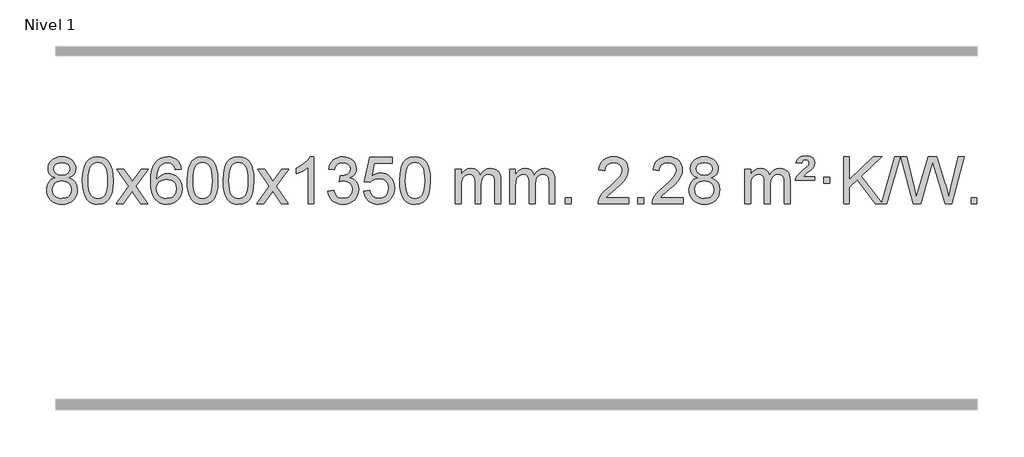
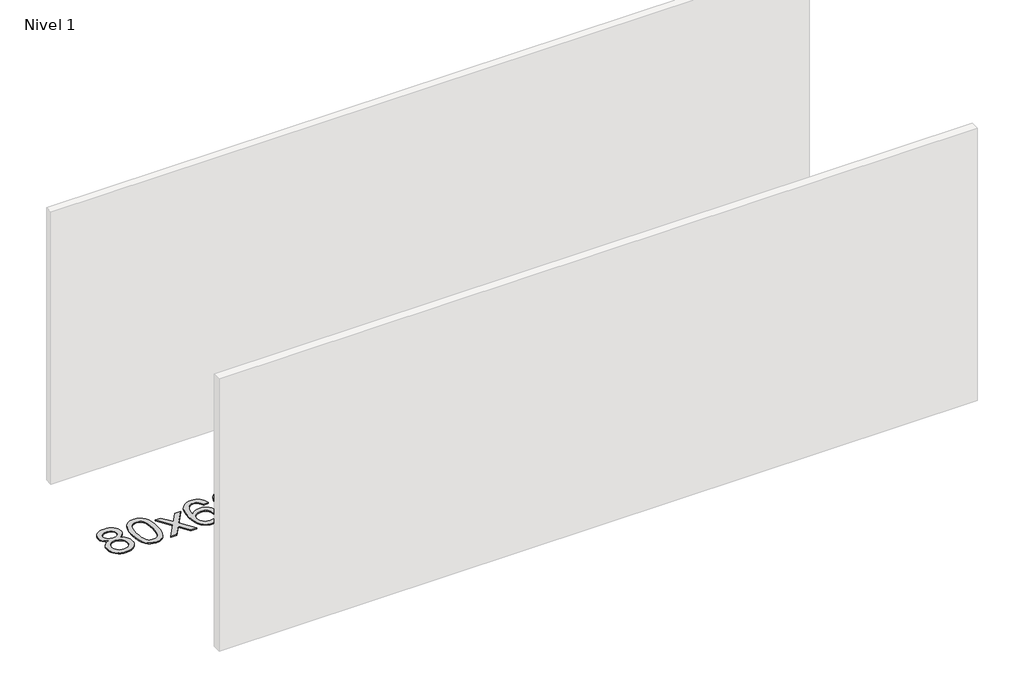
# One storey, part 9 of 16: 1 proxy.
"""IFC4 building model written with IfcOpenShell, lengths in millimetres."""

from ifc_helpers import new_model, si_unit, origin, origin_with_axes, place, context, project, spatial, polyline, outline, extrude, element, save

model = new_model("IFC4")

# Units and contexts
model_context = context("Model", 3, world=origin())
ifc_project = project(units=[si_unit("LENGTHUNIT", "METRE", prefix="MILLI")], contexts=[model_context])

# Site, building, storey
site = spatial("IfcSite", under=ifc_project)
building = spatial("IfcBuilding", under=site)
storey = spatial("IfcBuildingStorey", under=building, Name="Nivel 1", Elevation=0.0)

# Proxy
placement = place(None, origin())
element("IfcBuildingElementProxy", 1, Name="Texto de modelo 1", ObjectType="Texto de modelo 1", at=placement, inside=storey, context=model_context, shape_type="SweptSolid", body=[
    extrude(outline(polyline([(-236.8094438, -15249.2616447), (-263.7016177, -15236.0178929), (-282.573964, -15218.0652515), (-293.7207885, -15195.7716026), (-297.4363966, -15169.5048281), (-295.4130456, -15149.0199324), (-289.3429927, -15130.2395565), (-279.2262378, -15113.1637006), (-265.062781, -15097.7923645), (-247.533204, -15085.088173), (-227.3180883, -15076.0137504), (-204.4174341, -15070.5690969), (-178.8312414, -15068.7542124), (-153.1224213, -15070.6120165), (-130.0500888, -15076.1854287), (-109.614244, -15085.4744491), (-91.8148868, -15098.4790776), (-77.3939126, -15114.1508506), (-67.0932167, -15131.4413044), (-60.9127992, -15150.3504389), (-58.85266, -15170.8782543), (-62.5192172, -15196.2989001), (-73.5188889, -15218.2124043), (-91.9743023, -15236.0546811), (-118.0080848, -15249.2616447), (-87.0937345, -15265.1909351), (-64.5916191, -15288.6495436), (-50.8696207, -15318.5092989), (-46.2956212, -15353.6420295), (-48.5642269, -15378.6947933), (-55.3700438, -15401.6628926), (-66.713072, -15422.5463272), (-82.5933114, -15441.3450971), (-102.1768963, -15456.88198), (-124.6299607, -15467.9797536), (-149.9525047, -15474.6384177), (-178.1445283, -15476.8579724), (-206.3365519, -15474.6292206), (-231.6590959, -15467.9429654), (-254.1121603, -15456.7992066), (-273.6957452, -15441.1979443), (-289.5759846, -15422.26735), (-300.9190128, -15401.135595), (-307.7248297, -15377.8026795), (-309.9934354, -15352.2686033), (-305.2354949, -15315.7747094), (-290.9616735, -15285.7555386), (-267.9077351, -15263.2411605), (-236.8094438, -15249.2616447)]), holes=[polyline([(-247.2082415, -15170.9763561), (-242.7568694, -15192.902123), (-229.402753, -15210.413306), (-207.5382997, -15221.8912243), (-177.5559171, -15225.717197), (-148.2725103, -15221.9157497), (-126.7391508, -15210.5114079), (-113.495399, -15193.5888361), (-109.0808151, -15173.232699), (-113.6425518, -15152.1040098), (-127.327762, -15134.629615), (-149.1554271, -15122.8941794), (-178.1445283, -15118.9823675), (-207.3175705, -15122.8083402), (-229.1084474, -15134.2862585), (-242.683293, -15151.1107284), (-247.2082415, -15170.9763561)]), polyline([(-259.7652803, -15350.5027698), (-257.6683529, -15369.7184726), (-251.3775708, -15388.3210389), (-239.7647625, -15404.5446349), (-221.7017565, -15416.623427), (-200.0702952, -15424.1282197), (-177.7521208, -15426.6298173), (-143.5636208, -15421.3691048), (-129.6699441, -15414.7932141), (-117.909983, -15405.5869672), (-101.870328, -15381.6869002), (-96.5237763, -15352.0723996), (-102.0420062, -15321.9551269), (-118.596696, -15297.5277625), (-130.6754882, -15288.0854579), (-144.838945, -15281.3409547), (-179.4198526, -15275.9453521), (-213.130106, -15281.2673783), (-226.8674329, -15287.919911), (-238.5262264, -15297.2334569), (-254.4555168, -15321.1948375), (-259.7652803, -15350.5027698)])]), origin_with_axes(), (0.0, 0.0, 1.0), 10.0),
    extrude(outline(polyline([(-2.3459855, -15272.9041943), (1.3450971, -15208.5861588), (12.4183452, -15157.2911459), (30.763394, -15118.2343407), (42.621457, -15103.0009605), (56.269879, -15090.6309284), (71.7546453, -15081.0598651), (89.1217412, -15074.2233914), (129.5029215, -15068.7542124), (160.4540601, -15071.991574), (188.167837, -15081.7036586), (211.3444027, -15097.5103217), (228.6839074, -15119.0314184), (241.7805065, -15146.0830078), (252.2283551, -15178.4811488), (259.0709602, -15219.6226186), (261.3518286, -15272.9041943), (257.6975341, -15336.8543477), (246.7346507, -15388.0267333), (228.4999664, -15427.1203266), (216.6694946, -15442.3996922), (203.0302696, -15454.8341036), (187.5271092, -15464.4695462), (170.1048311, -15471.3520052), (129.5029215, -15476.8579724), (101.8381955, -15474.4667394), (77.3127291, -15467.2930405), (55.9265225, -15455.3368757), (37.6795755, -15438.5982449), (20.1683926, -15408.3399508), (7.6604047, -15370.6381776), (0.155612, -15325.4929255), (-2.3459855, -15272.9041943)]), holes=[polyline([(47.8821695, -15272.8060924), (49.3536975, -15316.4706195), (53.7682815, -15351.8148822), (61.1259214, -15378.8388804), (71.4266172, -15397.5426142), (83.8855541, -15410.2682656), (97.7179171, -15419.3580165), (112.9237063, -15424.8118671), (129.5029215, -15426.6298173), (146.0821368, -15424.8057357), (161.2879259, -15419.3334911), (175.1202889, -15410.2130833), (187.5792258, -15397.4445124), (197.8799217, -15378.7101217), (205.2375616, -15351.6922549), (209.6521455, -15316.3909118), (211.1236735, -15272.8060924), (209.7011965, -15230.2973278), (205.4337653, -15195.5753989), (198.3213801, -15168.6403055), (188.3640408, -15149.4920476), (176.1135703, -15136.1440625), (162.1217918, -15126.6097875), (146.3887051, -15120.8892225), (128.9143103, -15118.9823675), (112.4209342, -15120.6623619), (97.4726625, -15125.7023452), (84.0694951, -15134.1023175), (72.2114321, -15145.8622786), (61.5673797, -15166.708925), (53.9644852, -15194.8151094), (49.4027484, -15230.1808319), (47.8821695, -15272.8060924)])]), origin_with_axes(), (0.0, 0.0, 1.0), 10.0),
    extrude(outline(polyline([(286.4659061, -15470.579453), (393.7893469, -15322.2494325), (292.7444255, -15175.4890419), (353.1751746, -15175.4890419), (401.9318017, -15246.122385), (424.6914345, -15279.4770192), (444.4099094, -15252.2047007), (499.9355652, -15175.4890419), (560.3663143, -15175.4890419), (454.2200959, -15322.2494325), (556.4422397, -15470.579453), (496.0114906, -15470.579453), (434.501621, -15381.4048574), (423.2199065, -15365.1199477), (346.8966552, -15470.579453), (286.4659061, -15470.579453)])), origin_with_axes(), (0.0, 0.0, 1.0), 10.0),
    extrude(outline(polyline([(845.2541313, -15175.4890419), (795.0259763, -15181.7675613), (786.9325724, -15156.874213), (775.9942144, -15139.8780648), (753.2100561, -15124.2062918), (725.6679574, -15118.9823675), (702.3197135, -15122.0235253), (680.3448956, -15131.1469988), (661.4725493, -15150.3627017), (646.0582937, -15176.8134171), (635.6472332, -15214.227016), (631.7844723, -15266.3313693), (651.9321429, -15242.8237098), (676.0774645, -15226.2567573), (702.8715365, -15216.434308), (730.9654582, -15213.1601582), (755.0985171, -15215.398107), (777.3676405, -15222.1119534), (797.7728285, -15233.3016975), (816.3140811, -15248.9673391), (831.7222053, -15268.1769106), (842.7280083, -15289.9984443), (849.3314901, -15314.4319401), (851.5326507, -15341.4773982), (847.3878469, -15377.4439945), (834.9534355, -15410.786366), (815.259486, -15439.0642287), (789.3360681, -15459.8372987), (758.3604041, -15472.602804), (723.5097164, -15476.8579724), (693.5671877, -15474.0375437), (666.5247954, -15465.5762579), (642.3825394, -15451.4741147), (621.1404199, -15431.7311143), (603.822375, -15405.5133908), (591.4523429, -15371.9870783), (584.0303236, -15331.1521768), (581.5563172, -15283.0086864), (584.3031694, -15229.0342663), (592.5437261, -15182.9693092), (606.2779873, -15144.8138149), (625.5059529, -15114.5677835), (646.3464679, -15094.5243462), (670.5101836, -15080.2076052), (697.9971, -15071.6175606), (728.8072171, -15068.7542124), (751.9408633, -15070.5261773), (772.8794802, -15075.8420722), (791.6230678, -15084.7018969), (808.1716262, -15097.1056515), (822.0775656, -15112.6364031), (832.8932963, -15130.8772186), (840.6188182, -15151.8280983), (845.2541313, -15175.4890419)]), holes=[polyline([(631.7844723, -15340.6925832), (634.69074, -15362.9494439), (643.4095433, -15384.2007605), (656.9476007, -15402.472233), (674.3116309, -15415.7895612), (695.2686419, -15423.9197533), (719.5856418, -15426.6298173), (752.7318096, -15421.0134855), (766.646946, -15413.9930708), (778.7901175, -15404.1644901), (788.640158, -15391.9262824), (795.6759011, -15377.6769865), (801.3044957, -15343.1451299), (795.7494775, -15309.9989621), (788.8057049, -15296.3781312), (779.0844231, -15284.725469), (766.9044634, -15275.3904634), (752.5846568, -15268.7226022), (717.5255026, -15263.3883133), (684.4283858, -15268.7226022), (656.751397, -15284.725469), (645.8283674, -15296.2248471), (638.0262035, -15309.3858254), (633.3449051, -15324.2084042), (631.7844723, -15340.6925832)])]), origin_with_axes(), (0.0, 0.0, 1.0), 10.0),
    extrude(outline(polyline([(895.4822864, -15272.9041943), (899.1733691, -15208.5861588), (910.2466172, -15157.2911459), (928.591666, -15118.2343407), (940.449729, -15103.0009605), (954.098151, -15090.6309284), (969.5829173, -15081.0598651), (986.9500131, -15074.2233914), (1027.3311935, -15068.7542124), (1058.282332, -15071.991574), (1085.996109, -15081.7036586), (1109.1726747, -15097.5103217), (1126.5121794, -15119.0314184), (1139.6087784, -15146.0830078), (1150.0566271, -15178.4811488), (1156.8992322, -15219.6226186), (1159.1801006, -15272.9041943), (1155.5258061, -15336.8543477), (1144.5629226, -15388.0267333), (1126.3282384, -15427.1203266), (1114.4977666, -15442.3996922), (1100.8585416, -15454.8341036), (1085.3553812, -15464.4695462), (1067.933103, -15471.3520052), (1027.3311935, -15476.8579724), (999.6664674, -15474.4667394), (975.1410011, -15467.2930405), (953.7547945, -15455.3368757), (935.5078475, -15438.5982449), (917.9966645, -15408.3399508), (905.4886767, -15370.6381776), (897.983884, -15325.4929255), (895.4822864, -15272.9041943)]), holes=[polyline([(945.7104415, -15272.8060924), (947.1819695, -15316.4706195), (951.5965534, -15351.8148822), (958.9541933, -15378.8388804), (969.2548892, -15397.5426142), (981.7138261, -15410.2682656), (995.5461891, -15419.3580165), (1010.7519782, -15424.8118671), (1027.3311935, -15426.6298173), (1043.9104087, -15424.8057357), (1059.1161979, -15419.3334911), (1072.9485609, -15410.2130833), (1085.4074978, -15397.4445124), (1095.7081937, -15378.7101217), (1103.0658336, -15351.6922549), (1107.4804175, -15316.3909118), (1108.9519455, -15272.8060924), (1107.5294684, -15230.2973278), (1103.2620373, -15195.5753989), (1096.1496521, -15168.6403055), (1086.1923127, -15149.4920476), (1073.9418423, -15136.1440625), (1059.9500637, -15126.6097875), (1044.2169771, -15120.8892225), (1026.7425823, -15118.9823675), (1010.2492062, -15120.6623619), (995.3009344, -15125.7023452), (981.8977671, -15134.1023175), (970.0397041, -15145.8622786), (959.3956517, -15166.708925), (951.7927571, -15194.8151094), (947.2310204, -15230.1808319), (945.7104415, -15272.8060924)])]), origin_with_axes(), (0.0, 0.0, 1.0), 10.0),
    extrude(outline(polyline([(1203.1297362, -15272.9041943), (1206.8208189, -15208.5861588), (1217.894067, -15157.2911459), (1236.2391158, -15118.2343407), (1248.0971788, -15103.0009605), (1261.7456008, -15090.6309284), (1277.2303671, -15081.0598651), (1294.597463, -15074.2233914), (1334.9786433, -15068.7542124), (1365.9297818, -15071.991574), (1393.6435588, -15081.7036586), (1416.8201245, -15097.5103217), (1434.1596292, -15119.0314184), (1447.2562282, -15146.0830078), (1457.7040769, -15178.4811488), (1464.546682, -15219.6226186), (1466.8275504, -15272.9041943), (1463.1732559, -15336.8543477), (1452.2103725, -15388.0267333), (1433.9756882, -15427.1203266), (1422.1452164, -15442.3996922), (1408.5059914, -15454.8341036), (1393.002831, -15464.4695462), (1375.5805529, -15471.3520052), (1334.9786433, -15476.8579724), (1307.3139173, -15474.4667394), (1282.7884509, -15467.2930405), (1261.4022443, -15455.3368757), (1243.1552973, -15438.5982449), (1225.6441144, -15408.3399508), (1213.1361265, -15370.6381776), (1205.6313338, -15325.4929255), (1203.1297362, -15272.9041943)]), holes=[polyline([(1253.3578913, -15272.8060924), (1254.8294193, -15316.4706195), (1259.2440032, -15351.8148822), (1266.6016432, -15378.8388804), (1276.902339, -15397.5426142), (1289.3612759, -15410.2682656), (1303.1936389, -15419.3580165), (1318.3994281, -15424.8118671), (1334.9786433, -15426.6298173), (1351.5578586, -15424.8057357), (1366.7636477, -15419.3334911), (1380.5960107, -15410.2130833), (1393.0549476, -15397.4445124), (1403.3556435, -15378.7101217), (1410.7132834, -15351.6922549), (1415.1278673, -15316.3909118), (1416.5993953, -15272.8060924), (1415.1769183, -15230.2973278), (1410.9094871, -15195.5753989), (1403.7971019, -15168.6403055), (1393.8397625, -15149.4920476), (1381.5892921, -15136.1440625), (1367.5975136, -15126.6097875), (1351.8644269, -15120.8892225), (1334.3900321, -15118.9823675), (1317.896656, -15120.6623619), (1302.9483843, -15125.7023452), (1289.5452169, -15134.1023175), (1277.6871539, -15145.8622786), (1267.0431015, -15166.708925), (1259.440207, -15194.8151094), (1254.8784702, -15230.1808319), (1253.3578913, -15272.8060924)])]), origin_with_axes(), (0.0, 0.0, 1.0), 10.0),
    extrude(outline(polyline([(1491.9416279, -15470.579453), (1599.2650687, -15322.2494325), (1498.2201473, -15175.4890419), (1558.6508964, -15175.4890419), (1607.4075235, -15246.122385), (1630.1671563, -15279.4770192), (1649.8856312, -15252.2047007), (1705.411287, -15175.4890419), (1765.8420361, -15175.4890419), (1659.6958177, -15322.2494325), (1761.9179615, -15470.579453), (1701.4872124, -15470.579453), (1639.9773428, -15381.4048574), (1628.6956283, -15365.1199477), (1552.372377, -15470.579453), (1491.9416279, -15470.579453)])), origin_with_axes(), (0.0, 0.0, 1.0), 10.0),
    extrude(outline(polyline([(1981.6661399, -15470.579453), (1931.4379848, -15470.579453), (1931.4379848, -15157.4382987), (1910.4687111, -15174.3976587), (1883.8585801, -15191.3324932), (1830.9816747, -15216.6918254), (1830.9816747, -15169.2105225), (1870.4308873, -15147.7507395), (1904.6071247, -15122.219729), (1931.5483494, -15095.0700378), (1949.2925243, -15068.7542124), (1981.6661399, -15068.7542124), (1981.6661399, -15470.579453)])), origin_with_axes(), (0.0, 0.0, 1.0), 10.0),
    extrude(outline(polyline([(2100.9580082, -15363.8446235), (2151.1861633, -15357.5661041), (2162.4310896, -15389.1303793), (2178.8999403, -15410.4430095), (2201.4020556, -15422.5831154), (2230.7467761, -15426.6298173), (2265.1805309, -15421.0625364), (2279.4543523, -15414.1034354), (2291.7661364, -15404.3606939), (2308.7622846, -15379.4428201), (2314.4276673, -15349.2274455), (2308.8113355, -15320.5449126), (2291.9623401, -15297.2825078), (2266.4558551, -15281.8682522), (2234.8670545, -15276.730167), (2199.6484848, -15282.2238715), (2205.2402911, -15231.9957164), (2213.2846441, -15232.5843276), (2243.3773913, -15228.979084), (2270.2818279, -15218.1633534), (2281.3550759, -15209.9841103), (2289.2645388, -15199.8673555), (2294.0102165, -15187.8130888), (2295.5921091, -15173.8213102), (2291.0058469, -15152.1285352), (2277.2470603, -15134.5315131), (2256.2532611, -15122.8696539), (2229.9619612, -15118.9823675), (2203.6216103, -15122.9064421), (2182.0882509, -15134.6786659), (2166.367427, -15154.299039), (2157.4646827, -15181.7675613), (2107.2365276, -15175.4890419), (2113.1900846, -15151.5092672), (2122.0253838, -15130.3867093), (2133.7424253, -15112.1213683), (2148.3412092, -15096.713244), (2165.3618828, -15084.4811677), (2184.3445938, -15075.7439703), (2205.289342, -15070.5016519), (2228.1961276, -15068.7542124), (2259.7726655, -15072.2000404), (2288.7740295, -15082.5375245), (2313.2259194, -15098.8469596), (2331.1540353, -15120.2086408), (2342.153707, -15144.8199463), (2345.8202642, -15170.8782543), (2342.337648, -15195.1584659), (2331.8897993, -15217.1823347), (2314.623871, -15235.9443165), (2290.6870159, -15250.4388671), (2322.1286637, -15263.1430586), (2345.4278567, -15284.77452), (2359.848831, -15314.1560286), (2364.6558224, -15350.1103623), (2362.2523267, -15375.5923218), (2355.0418395, -15399.0631931), (2343.024361, -15420.5229762), (2326.1998911, -15439.971671), (2305.7027326, -15456.1094278), (2282.6671884, -15467.636397), (2257.0932583, -15474.5525785), (2228.9809425, -15476.8579724), (2203.5725594, -15474.8898037), (2180.4205192, -15468.9852977), (2159.5248218, -15459.1444543), (2140.8854674, -15445.3672736), (2125.256614, -15428.4630959), (2113.3924196, -15409.2412617), (2105.2928844, -15387.7017708), (2100.9580082, -15363.8446235)])), origin_with_axes(), (0.0, 0.0, 1.0), 10.0),
    extrude(outline(polyline([(2408.605458, -15363.8446235), (2458.8336131, -15357.5661041), (2468.0551885, -15387.7201649), (2484.1438944, -15409.3148381), (2507.0261545, -15422.3010725), (2536.6283924, -15426.6298173), (2555.7582561, -15425.1245668), (2572.631777, -15420.6088153), (2587.2489549, -15413.0825628), (2599.6097899, -15402.5458094), (2609.4383706, -15389.519721), (2616.4587853, -15374.5254641), (2622.0751171, -15338.6324441), (2616.8144046, -15304.8363514), (2610.2385139, -15290.9181493), (2601.032267, -15278.9865099), (2589.165007, -15269.4154467), (2574.606077, -15262.5789729), (2537.4132073, -15257.1097939), (2513.0471565, -15259.2925604), (2493.3164188, -15265.8408599), (2477.5588067, -15275.8717757), (2465.1121325, -15288.5023908), (2414.8839774, -15282.2238715), (2458.8336131, -15075.0327318), (2653.467714, -15075.0327318), (2653.467714, -15125.2608869), (2499.4477854, -15125.2608869), (2477.9634769, -15235.919791), (2495.6892577, -15223.2155994), (2513.8442341, -15214.1411769), (2532.4284063, -15208.6965234), (2551.441774, -15206.8816388), (2575.902861, -15209.1318504), (2598.3712539, -15215.882485), (2618.8469526, -15227.1335427), (2637.3299572, -15242.8850234), (2652.6307825, -15262.1743027), (2663.5599434, -15284.038756), (2670.11744, -15308.4783832), (2672.3032722, -15335.4931844), (2670.3351035, -15361.5147042), (2664.4305975, -15385.7213394), (2654.5897541, -15408.1130902), (2640.8125734, -15428.6899565), (2619.9414015, -15449.7634634), (2595.5876135, -15464.8159684), (2567.7512092, -15473.8474714), (2536.4321886, -15476.8579724), (2510.5118364, -15474.9235262), (2487.0992131, -15469.1201877), (2466.1943187, -15459.447957), (2447.7971533, -15445.9068338), (2432.4901966, -15429.1712688), (2420.8559285, -15409.915712), (2412.894349, -15388.1401636), (2408.605458, -15363.8446235)])), origin_with_axes(), (0.0, 0.0, 1.0), 10.0),
    extrude(outline(polyline([(2716.2529079, -15272.9041943), (2719.9439906, -15208.5861588), (2731.0172386, -15157.2911459), (2749.3622874, -15118.2343407), (2761.2203504, -15103.0009605), (2774.8687724, -15090.6309284), (2790.3535388, -15081.0598651), (2807.7206346, -15074.2233914), (2848.1018149, -15068.7542124), (2879.0529535, -15071.991574), (2906.7667304, -15081.7036586), (2929.9432961, -15097.5103217), (2947.2828008, -15119.0314184), (2960.3793999, -15146.0830078), (2970.8272485, -15178.4811488), (2977.6698537, -15219.6226186), (2979.950722, -15272.9041943), (2976.2964275, -15336.8543477), (2965.3335441, -15388.0267333), (2947.0988599, -15427.1203266), (2935.268388, -15442.3996922), (2921.6291631, -15454.8341036), (2906.1260026, -15464.4695462), (2888.7037245, -15471.3520052), (2848.1018149, -15476.8579724), (2820.4370889, -15474.4667394), (2795.9116226, -15467.2930405), (2774.5254159, -15455.3368757), (2756.278469, -15438.5982449), (2738.767286, -15408.3399508), (2726.2592981, -15370.6381776), (2718.7545054, -15325.4929255), (2716.2529079, -15272.9041943)]), holes=[polyline([(2766.481063, -15272.8060924), (2767.9525909, -15316.4706195), (2772.3671749, -15351.8148822), (2779.7248148, -15378.8388804), (2790.0255106, -15397.5426142), (2802.4844475, -15410.2682656), (2816.3168106, -15419.3580165), (2831.5225997, -15424.8118671), (2848.1018149, -15426.6298173), (2864.6810302, -15424.8057357), (2879.8868193, -15419.3334911), (2893.7191824, -15410.2130833), (2906.1781193, -15397.4445124), (2916.4788151, -15378.7101217), (2923.836455, -15351.6922549), (2928.251039, -15316.3909118), (2929.7225669, -15272.8060924), (2928.3000899, -15230.2973278), (2924.0326588, -15195.5753989), (2916.9202735, -15168.6403055), (2906.9629342, -15149.4920476), (2894.7124637, -15136.1440625), (2880.7206852, -15126.6097875), (2864.9875985, -15120.8892225), (2847.5132038, -15118.9823675), (2831.0198276, -15120.6623619), (2816.0715559, -15125.7023452), (2802.6683885, -15134.1023175), (2790.8103256, -15145.8622786), (2780.1662732, -15166.708925), (2772.5633786, -15194.8151094), (2768.0016419, -15230.1808319), (2766.481063, -15272.8060924)])]), origin_with_axes(), (0.0, 0.0, 1.0), 10.0),
    extrude(outline(polyline([(3193.4203811, -15470.579453), (3193.4203811, -15175.4890419), (3243.6485362, -15175.4890419), (3243.6485362, -15224.0494653), (3258.7562234, -15201.7435537), (3278.1803928, -15184.2691589), (3301.2588566, -15172.9751816), (3327.3294273, -15169.2105225), (3355.2639335, -15173.048758), (3377.6556843, -15184.5634645), (3394.3820523, -15202.9943524), (3405.3204103, -15227.5811324), (3423.6286709, -15202.0439906), (3444.5121055, -15183.803175), (3467.9707141, -15172.8586857), (3494.0044966, -15169.2105225), (3514.1123133, -15170.7280358), (3531.7614521, -15175.2805755), (3546.9519128, -15182.8681416), (3559.6836955, -15193.4907342), (3569.7483337, -15207.2709806), (3576.9373611, -15224.3315082), (3581.2507775, -15244.6723168), (3582.6885829, -15268.2934066), (3582.6885829, -15470.579453), (3532.4604278, -15470.579453), (3532.4604278, -15289.875817), (3531.2954682, -15264.8230531), (3527.8005892, -15247.9372695), (3521.2522897, -15236.3735121), (3510.9270684, -15227.2868268), (3497.6465284, -15221.4007149), (3482.2322728, -15219.4386776), (3455.0212679, -15224.4663982), (3432.8379835, -15239.54956), (3424.2326105, -15251.1194488), (3418.0859155, -15265.7182326), (3413.1685595, -15304.0024856), (3413.1685595, -15470.579453), (3362.9404045, -15470.579453), (3362.9404045, -15284.2840106), (3360.0341367, -15255.8835206), (3351.3153334, -15235.6254854), (3335.9746542, -15223.4853796), (3313.2027587, -15219.4386776), (3293.8521658, -15222.1364789), (3276.0221517, -15230.2298828), (3261.3068719, -15243.5226856), (3251.3004817, -15261.8186835), (3245.5615225, -15287.2025411), (3243.6485362, -15321.7589232), (3243.6485362, -15470.579453), (3193.4203811, -15470.579453)])), origin_with_axes(), (0.0, 0.0, 1.0), 10.0),
    extrude(outline(polyline([(3658.0308155, -15470.579453), (3658.0308155, -15175.4890419), (3708.2589706, -15175.4890419), (3708.2589706, -15224.0494653), (3723.3666579, -15201.7435537), (3742.7908272, -15184.2691589), (3765.869291, -15172.9751816), (3791.9398618, -15169.2105225), (3819.8743679, -15173.048758), (3842.2661187, -15184.5634645), (3858.9924868, -15202.9943524), (3869.9308448, -15227.5811324), (3888.2391054, -15202.0439906), (3909.12254, -15183.803175), (3932.5811485, -15172.8586857), (3958.6149311, -15169.2105225), (3978.7227478, -15170.7280358), (3996.3718865, -15175.2805755), (4011.5623472, -15182.8681416), (4024.2941299, -15193.4907342), (4034.3587682, -15207.2709806), (4041.5477955, -15224.3315082), (4045.8612119, -15244.6723168), (4047.2990174, -15268.2934066), (4047.2990174, -15470.579453), (3997.0708623, -15470.579453), (3997.0708623, -15289.875817), (3995.9059026, -15264.8230531), (3992.4110237, -15247.9372695), (3985.8627242, -15236.3735121), (3975.5375028, -15227.2868268), (3962.2569628, -15221.4007149), (3946.8427072, -15219.4386776), (3919.6317023, -15224.4663982), (3897.448418, -15239.54956), (3888.843045, -15251.1194488), (3882.69635, -15265.7182326), (3877.778994, -15304.0024856), (3877.778994, -15470.579453), (3827.5508389, -15470.579453), (3827.5508389, -15284.2840106), (3824.6445711, -15255.8835206), (3815.9257679, -15235.6254854), (3800.5850887, -15223.4853796), (3777.8131932, -15219.4386776), (3758.4626002, -15222.1364789), (3740.6325862, -15230.2298828), (3725.9173064, -15243.5226856), (3715.9109161, -15261.8186835), (3710.171957, -15287.2025411), (3708.2589706, -15321.7589232), (3708.2589706, -15470.579453), (3658.0308155, -15470.579453)])), origin_with_axes(), (0.0, 0.0, 1.0), 10.0),
    extrude(outline(polyline([(4135.1982887, -15470.579453), (4135.1982887, -15420.3512979), (4185.4264438, -15420.3512979), (4185.4264438, -15470.579453), (4135.1982887, -15470.579453)])), origin_with_axes(), (0.0, 0.0, 1.0), 10.0),
    extrude(outline(polyline([(4681.4294752, -15420.3512979), (4681.4294752, -15470.579453), (4417.731661, -15470.579453), (4418.835307, -15452.8965918), (4423.1272636, -15435.9494945), (4435.5126241, -15408.8856424), (4453.6369438, -15382.6311307), (4479.8546673, -15355.1503456), (4516.5202395, -15324.4076736), (4570.7215201, -15276.2641831), (4603.2422885, -15240.7267824), (4619.5026727, -15211.884834), (4624.9228007, -15183.8277005), (4619.809241, -15158.6768347), (4604.4685618, -15137.7688747), (4580.8873259, -15123.6789943), (4551.0520961, -15118.9823675), (4519.7208128, -15123.5686297), (4495.3792875, -15137.3274163), (4479.6707263, -15159.1796068), (4474.2383355, -15188.0460807), (4424.0101804, -15181.7675613), (4428.3297282, -15155.838012), (4436.1870745, -15133.1826125), (4447.5822193, -15113.8013627), (4462.5151626, -15097.6942627), (4480.6425479, -15085.0329907), (4501.6210187, -15075.989225), (4525.4505749, -15070.5629655), (4552.1312166, -15068.7542124), (4579.0509816, -15070.7653006), (4603.0092965, -15076.7985654), (4624.0061614, -15086.8540066), (4642.0415762, -15100.9316242), (4656.5269298, -15117.9890861), (4666.8736109, -15136.9840598), (4673.0816196, -15157.9165453), (4675.1509558, -15180.7865427), (4672.9191384, -15204.8092369), (4666.223686, -15228.4149983), (4654.3410976, -15252.4254299), (4636.5478718, -15277.6621347), (4608.1841699, -15307.7916701), (4564.5901535, -15346.4805933), (4506.8081548, -15394.795762), (4484.1466239, -15420.3512979), (4681.4294752, -15420.3512979)])), origin_with_axes(), (0.0, 0.0, 1.0), 10.0),
    extrude(outline(polyline([(4756.7717078, -15470.579453), (4756.7717078, -15420.3512979), (4806.9998629, -15420.3512979), (4806.9998629, -15470.579453), (4756.7717078, -15470.579453)])), origin_with_axes(), (0.0, 0.0, 1.0), 10.0),
    extrude(outline(polyline([(5146.0399096, -15420.3512979), (5146.0399096, -15470.579453), (4882.3420955, -15470.579453), (4883.4457415, -15452.8965918), (4887.7376981, -15435.9494945), (4900.1230586, -15408.8856424), (4918.2473782, -15382.6311307), (4944.4651017, -15355.1503456), (4981.1306739, -15324.4076736), (5035.3319545, -15276.2641831), (5067.8527229, -15240.7267824), (5084.1131071, -15211.884834), (5089.5332352, -15183.8277005), (5084.4196754, -15158.6768347), (5069.0789962, -15137.7688747), (5045.4977603, -15123.6789943), (5015.6625305, -15118.9823675), (4984.3312473, -15123.5686297), (4959.9897219, -15137.3274163), (4944.2811607, -15159.1796068), (4938.8487699, -15188.0460807), (4888.6206149, -15181.7675613), (4892.9401626, -15155.838012), (4900.7975089, -15133.1826125), (4912.1926537, -15113.8013627), (4927.125597, -15097.6942627), (4945.2529823, -15085.0329907), (4966.2314531, -15075.989225), (4990.0610093, -15070.5629655), (5016.741651, -15068.7542124), (5043.661416, -15070.7653006), (5067.619731, -15076.7985654), (5088.6165959, -15086.8540066), (5106.6520107, -15100.9316242), (5121.1373642, -15117.9890861), (5131.4840453, -15136.9840598), (5137.692054, -15157.9165453), (5139.7613902, -15180.7865427), (5137.5295728, -15204.8092369), (5130.8341205, -15228.4149983), (5118.951532, -15252.4254299), (5101.1583062, -15277.6621347), (5072.7946044, -15307.7916701), (5029.200588, -15346.4805933), (4971.4185892, -15394.795762), (4948.7570583, -15420.3512979), (5146.0399096, -15420.3512979)])), origin_with_axes(), (0.0, 0.0, 1.0), 10.0),
    extrude(outline(polyline([(5269.4520563, -15249.2616447), (5242.5598824, -15236.0178929), (5223.6875361, -15218.0652515), (5212.5407116, -15195.7716026), (5208.8251035, -15169.5048281), (5210.8484544, -15149.0199324), (5216.9185074, -15130.2395565), (5227.0352622, -15113.1637006), (5241.198719, -15097.7923645), (5258.7282961, -15085.088173), (5278.9434117, -15076.0137504), (5301.8440659, -15070.5690969), (5327.4302587, -15068.7542124), (5353.1390788, -15070.6120165), (5376.2114113, -15076.1854287), (5396.6472561, -15085.4744491), (5414.4466133, -15098.4790776), (5428.8675875, -15114.1508506), (5439.1682834, -15131.4413044), (5445.3487009, -15150.3504389), (5447.4088401, -15170.8782543), (5443.7422829, -15196.2989001), (5432.7426112, -15218.2124043), (5414.2871978, -15236.0546811), (5388.2534152, -15249.2616447), (5419.1677656, -15265.1909351), (5441.6698809, -15288.6495436), (5455.3918794, -15318.5092989), (5459.9658788, -15353.6420295), (5457.6972732, -15378.6947933), (5450.8914563, -15401.6628926), (5439.5484281, -15422.5463272), (5423.6681886, -15441.3450971), (5404.0846038, -15456.88198), (5381.6315393, -15467.9797536), (5356.3089953, -15474.6384177), (5328.1169718, -15476.8579724), (5299.9249482, -15474.6292206), (5274.6024042, -15467.9429654), (5252.1493398, -15456.7992066), (5232.5657549, -15441.1979443), (5216.6855154, -15422.26735), (5205.3424872, -15401.135595), (5198.5366703, -15377.8026795), (5196.2680647, -15352.2686033), (5201.0260052, -15315.7747094), (5215.2998266, -15285.7555386), (5238.3537649, -15263.2411605), (5269.4520563, -15249.2616447)]), holes=[polyline([(5259.0532585, -15170.9763561), (5263.5046307, -15192.902123), (5276.8587471, -15210.413306), (5298.7232004, -15221.8912243), (5328.705583, -15225.717197), (5357.9889898, -15221.9157497), (5379.5223492, -15210.5114079), (5392.7661011, -15193.5888361), (5397.180685, -15173.232699), (5392.6189483, -15152.1040098), (5378.933738, -15134.629615), (5357.106073, -15122.8941794), (5328.1169718, -15118.9823675), (5298.9439295, -15122.8083402), (5277.1530527, -15134.2862585), (5263.5782071, -15151.1107284), (5259.0532585, -15170.9763561)]), polyline([(5246.4962198, -15350.5027698), (5248.5931471, -15369.7184726), (5254.8839293, -15388.3210389), (5266.4967376, -15404.5446349), (5284.5597435, -15416.623427), (5306.1912049, -15424.1282197), (5328.5093792, -15426.6298173), (5362.6978793, -15421.3691048), (5376.591556, -15414.7932141), (5388.3515171, -15405.5869672), (5404.3911721, -15381.6869002), (5409.7377238, -15352.0723996), (5404.2194938, -15321.9551269), (5387.6648041, -15297.5277625), (5375.5860119, -15288.0854579), (5361.4225551, -15281.3409547), (5326.8416475, -15275.9453521), (5293.131394, -15281.2673783), (5279.3940672, -15287.919911), (5267.7352736, -15297.2334569), (5251.8059832, -15321.1948375), (5246.4962198, -15350.5027698)])]), origin_with_axes(), (0.0, 0.0, 1.0), 10.0),
    extrude(outline(polyline([(5673.4355379, -15470.579453), (5673.4355379, -15175.4890419), (5723.663693, -15175.4890419), (5723.663693, -15224.0494653), (5738.7713803, -15201.7435537), (5758.1955496, -15184.2691589), (5781.2740134, -15172.9751816), (5807.3445842, -15169.2105225), (5835.2790903, -15173.048758), (5857.6708411, -15184.5634645), (5874.3972091, -15202.9943524), (5885.3355671, -15227.5811324), (5903.6438278, -15202.0439906), (5924.5272623, -15183.803175), (5947.9858709, -15172.8586857), (5974.0196534, -15169.2105225), (5994.1274702, -15170.7280358), (6011.7766089, -15175.2805755), (6026.9670696, -15182.8681416), (6039.6988523, -15193.4907342), (6049.7634906, -15207.2709806), (6056.9525179, -15224.3315082), (6061.2659343, -15244.6723168), (6062.7037397, -15268.2934066), (6062.7037397, -15470.579453), (6012.4755847, -15470.579453), (6012.4755847, -15289.875817), (6011.310625, -15264.8230531), (6007.8157461, -15247.9372695), (6001.2674465, -15236.3735121), (5990.9422252, -15227.2868268), (5977.6616852, -15221.4007149), (5962.2474296, -15219.4386776), (5935.0364247, -15224.4663982), (5912.8531404, -15239.54956), (5904.2477674, -15251.1194488), (5898.1010724, -15265.7182326), (5893.1837164, -15304.0024856), (5893.1837164, -15470.579453), (5842.9555613, -15470.579453), (5842.9555613, -15284.2840106), (5840.0492935, -15255.8835206), (5831.3304902, -15235.6254854), (5815.989811, -15223.4853796), (5793.2179155, -15219.4386776), (5773.8673226, -15222.1364789), (5756.0373086, -15230.2298828), (5741.3220287, -15243.5226856), (5731.3156385, -15261.8186835), (5725.5766794, -15287.2025411), (5723.663693, -15321.7589232), (5723.663693, -15470.579453), (5673.4355379, -15470.579453)])), origin_with_axes(), (0.0, 0.0, 1.0), 10.0),
    extrude(outline(polyline([(6106.6533754, -15269.6668327), (6110.4793482, -15253.8479069), (6118.8180067, -15237.9799302), (6140.3268407, -15212.8413272), (6172.2835234, -15185.1030247), (6216.4293628, -15147.726214), (6223.5662735, -15136.1992448), (6225.9452437, -15124.3779701), (6224.0567828, -15112.2869152), (6218.3914001, -15102.5012541), (6209.022672, -15096.026531), (6196.0241748, -15093.8682899), (6183.5897634, -15095.4869707), (6174.73607, -15100.343013), (6168.3103978, -15109.8098431), (6163.1600499, -15125.2608869), (6112.9318948, -15118.9823675), (6123.7721509, -15093.7701881), (6140.4004171, -15076.2099542), (6164.165594, -15065.9092583), (6196.4165822, -15062.475693), (6232.1992376, -15066.6082341), (6256.9454332, -15079.0058573), (6271.3664074, -15097.3386434), (6276.1733988, -15119.2766731), (6272.0776459, -15142.1834586), (6259.7903873, -15163.8149199), (6239.262572, -15183.6314968), (6202.7932035, -15211.6886303), (6177.1886166, -15238.2742358), (6276.1733988, -15238.2742358), (6276.1733988, -15269.6668327), (6106.6533754, -15269.6668327)])), origin_with_axes(), (0.0, 0.0, 1.0), 10.0),
    extrude(outline(polyline([(6351.5156314, -15294.7809102), (6351.5156314, -15244.5527552), (6401.7437865, -15244.5527552), (6401.7437865, -15294.7809102), (6351.5156314, -15294.7809102)])), origin_with_axes(), (0.0, 0.0, 1.0), 10.0),
    extrude(outline(polyline([(6792.3854144, -15470.579453), (6638.954097, -15267.9009991), (6571.2638099, -15332.4520265), (6571.2638099, -15470.579453), (6521.0356548, -15470.579453), (6521.0356548, -15068.7542124), (6571.2638099, -15068.7542124), (6571.2638099, -15265.4484525), (6777.2777272, -15068.7542124), (6847.5186628, -15068.7542124), (6674.5650741, -15233.9577537), (6849.218684, -15464.5349332), (6960.5320117, -15068.7542124), (7005.8550735, -15068.7542124), (6892.8417246, -15470.579453), (6853.7971822, -15470.579453), (6847.5186628, -15470.579453), (6792.3854144, -15470.579453)])), origin_with_axes(), (0.0, 0.0, 1.0), 10.0),
    extrude(outline(polyline([(7120.3399504, -15470.579453), (7010.7601668, -15068.7542124), (7062.5579517, -15068.7542124), (7126.1279605, -15332.844434), (7145.7483335, -15414.3670841), (7166.7421327, -15342.2622131), (7246.4008474, -15068.7542124), (7321.056367, -15068.7542124), (7378.9364675, -15267.0180823), (7403.731714, -15340.5944814), (7422.0031864, -15414.3670841), (7441.0349483, -15335.1988788), (7505.1935683, -15068.7542124), (7556.9913532, -15068.7542124), (7447.3134677, -15470.579453), (7393.6517474, -15470.579453), (7297.3157155, -15160.5775584), (7283.87576, -15117.3146358), (7268.7680727, -15169.4067263), (7180.9669032, -15470.579453), (7120.3399504, -15470.579453)])), origin_with_axes(), (0.0, 0.0, 1.0), 10.0),
    extrude(outline(polyline([(7613.4980277, -15470.579453), (7613.4980277, -15420.3512979), (7663.7261827, -15420.3512979), (7663.7261827, -15470.579453), (7613.4980277, -15470.579453)])), origin_with_axes(), (0.0, 0.0, 1.0), 10.0),
])

save(model, "model.ifc")
